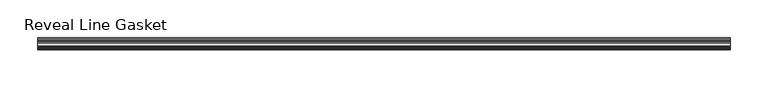
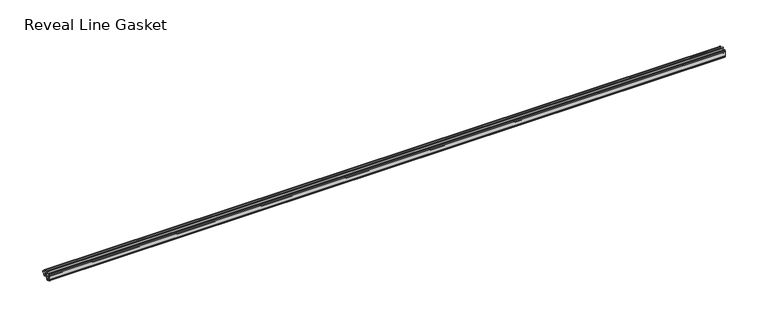
"""IFC4 building model written with IfcOpenShell, lengths in millimetres: furniture geometry, Reveal Line Gasket."""

from ifc_helpers import new_model, si_unit, point, frame, frame_2d, origin, place, context, project, spatial, polyline, circle_curve, trimmed, segment, composite_curve, outline, extrude, source, transform, mapped, element, save


def reveal_line_gasket_ca886eab(model_context):
    return source(origin(), model_context, "Body", "SweptSolid", [
        extrude(outline(composite_curve([segment(polyline([(-7.6326998, 1603.2), (-7.4091917, 1604.1554927), (-6.8813059, 1605.0884684)]), True, "CONTINUOUS"), segment(trimmed(circle_curve(frame_2d((-6.5243141, 1604.8864793)), 0.4101739), [point((-6.8813059, 1605.0884684))], [point((-6.1246704, 1604.7941347))], False, "CARTESIAN"), True, "CONTINUOUS"), segment(polyline([(-6.1246704, 1604.7941347), (-6.3626997, 1603.0979086), (-6.3626997, 1601.0654527)]), True, "CONTINUOUS"), segment(trimmed(circle_curve(frame_2d((-5.6959605, 1601.4819258)), 0.786124), [point((-6.3626997, 1601.0654527))], [point((-5.0926996, 1600.977875))], True, "CARTESIAN"), True, "CONTINUOUS"), segment(polyline([(-5.0926996, 1600.977875), (-0.7492996, 1600.977875), (-3.7293824, 1606.1395295)]), True, "CONTINUOUS"), segment(trimmed(circle_curve(frame_2d((-3.3132479, 1606.2049761)), 0.4212495), [point((-3.7293824, 1606.1395295))], [point((-3.0485022, 1606.5326358))], False, "CARTESIAN"), True, "CONTINUOUS"), segment(polyline([(-3.0485022, 1606.5326358), (0.5742594, 1600.977875), (4.8262978, 1600.977875), (3.1660374, 1603.8535297)]), True, "CONTINUOUS"), segment(trimmed(circle_curve(frame_2d((3.5978728, 1603.9118855)), 0.4357605), [point((3.1660374, 1603.8535297))], [point((3.864328, 1604.2566881))], False, "CARTESIAN"), True, "CONTINUOUS"), segment(polyline([(3.864328, 1604.2566881), (6.1944059, 1600.977875), (7.6326998, 1600.977875), (7.6326998, 1599.422125), (6.1944059, 1599.422125), (3.864328, 1596.1433119)]), True, "CONTINUOUS"), segment(trimmed(circle_curve(frame_2d((3.5978728, 1596.4881145)), 0.4357605), [point((3.864328, 1596.1433119))], [point((3.1660374, 1596.5464703))], False, "CARTESIAN"), True, "CONTINUOUS"), segment(polyline([(3.1660374, 1596.5464703), (4.8262978, 1599.422125), (0.5742594, 1599.422125), (-3.0485022, 1593.8673642)]), True, "CONTINUOUS"), segment(trimmed(circle_curve(frame_2d((-3.3132479, 1594.1950239)), 0.4212495), [point((-3.0485022, 1593.8673642))], [point((-3.7293824, 1594.2604705))], False, "CARTESIAN"), True, "CONTINUOUS"), segment(polyline([(-3.7293824, 1594.2604705), (-0.7492996, 1599.422125), (-5.0926996, 1599.422125)]), True, "CONTINUOUS"), segment(trimmed(circle_curve(frame_2d((-5.6959605, 1598.9180742)), 0.786124), [point((-5.0926996, 1599.422125))], [point((-6.3626997, 1599.3345473))], True, "CARTESIAN"), True, "CONTINUOUS"), segment(polyline([(-6.3626997, 1599.3345473), (-6.3626997, 1597.3020914), (-6.1246704, 1595.6058653)]), True, "CONTINUOUS"), segment(trimmed(circle_curve(frame_2d((-6.5243141, 1595.5135207)), 0.4101739), [point((-6.1246704, 1595.6058653))], [point((-6.8813059, 1595.3115316))], False, "CARTESIAN"), True, "CONTINUOUS"), segment(polyline([(-6.8813059, 1595.3115316), (-7.4091917, 1596.2445073), (-7.6326998, 1597.2), (-7.6326998, 1603.2)]), True, "CONTINUOUS")], self_intersect=False)), frame((-455.3204, 0.0, 0.0), z_axis=(1.0, 0.0, 0.0), x_axis=(0.0, 1.0, 0.0)), (0.0, 0.0, 1.0), 910.6408),
    ])


if __name__ == "__main__":
    model = new_model("IFC4")
    model_context = context("Model", 3, world=origin())
    ifc_project = project(units=[si_unit("LENGTHUNIT", "METRE", prefix="MILLI")], contexts=[model_context])
    site = spatial("IfcSite", under=ifc_project)
    building = spatial("IfcBuilding", under=site)
    placement = place(None, origin())
    reveal_line_gasket_shape = reveal_line_gasket_ca886eab(model_context)
    element("IfcFurniture", 1, ObjectType="Reveal Line Gasket", at=placement, inside=building, context=model_context, shape_type="MappedRepresentation", body=[
        mapped(reveal_line_gasket_shape, transform((0.0, 0.0, 0.0), x_axis=(1.0, 0.0, 0.0), y_axis=(0.0, 1.0, 0.0), z_axis=(0.0, 0.0, 1.0))),
    ])
    save(model, "model.ifc")
